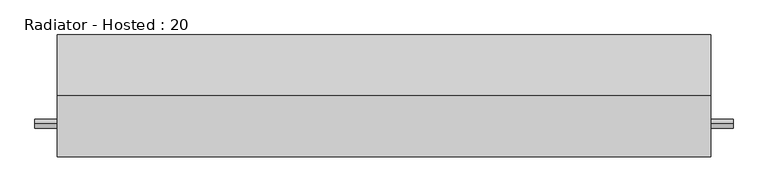
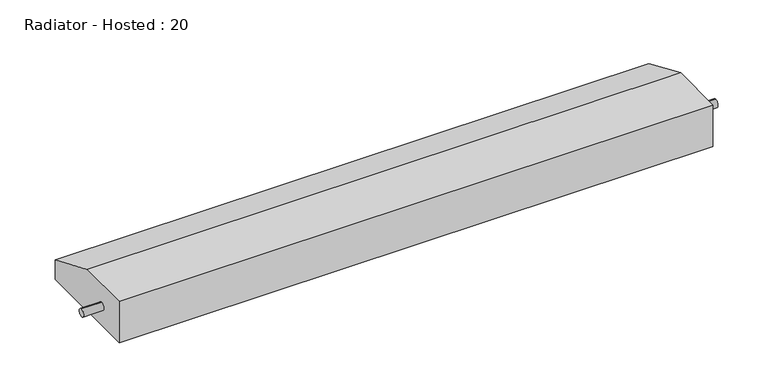
"""IFC4 building model written with IfcOpenShell, lengths in millimetres: proxy geometry, Radiator - Hosted : 20."""

from ifc_helpers import new_model, si_unit, frame, origin, place, context, project, spatial, circle_curve, source, transform, mapped, element, save
from ifc_brep_helpers import plane_surface, cylinder_surface, advanced_brep


def radiator_hosted_20_a8a8d4ab(model_context):
    return source(origin(), model_context, "Body", "AdvancedBrep", [
        advanced_brep(
        [(750.0, 280.0, 0.0), (750.0, 280.0, 52.3875), (750.0, 141.8875, 111.125), (750.0, 0.0, 111.125), (750.0, 0.0, 0.0), (750.0, 76.2, 42.3875), (750.0, 76.2, 62.3875), (-750.0, 280.0, 0.0), (-750.0, 0.0, 0.0), (-750.0, 0.0, 111.125), (-750.0, 141.8875, 111.125), (-750.0, 280.0, 52.3875), (-750.0, 76.2, 62.3875), (-750.0, 76.2, 42.3875), (-800.8, 76.2, 42.3875), (-800.8, 76.2, 62.3875), (800.8, 76.2, 42.3875), (800.8, 76.2, 62.3875)],
        [
            (0, 1),
            (1, 2),
            (2, 3),
            (3, 4),
            (4, 0),
            (5, 6, circle_curve(frame((750.0, 76.2, 52.3875), z_axis=(-1.0, 0.0, 0.0), x_axis=(0.0, 0.0, 1.0)), 10.0)),
            (6, 5, circle_curve(frame((750.0, 76.2, 52.3875), z_axis=(-1.0, 0.0, 0.0), x_axis=(0.0, 0.0, 1.0)), 10.0)),
            (7, 8),
            (8, 9),
            (9, 10),
            (10, 11),
            (11, 7),
            (12, 13, circle_curve(frame((-750.0, 76.2, 52.3875), z_axis=(1.0, 0.0, 0.0), x_axis=(0.0, 0.0, 1.0)), 10.0)),
            (13, 12, circle_curve(frame((-750.0, 76.2, 52.3875), z_axis=(1.0, 0.0, 0.0), x_axis=(0.0, 0.0, 1.0)), 10.0)),
            (0, 7),
            (11, 1),
            (10, 2),
            (9, 3),
            (8, 4),
            (14, 15, circle_curve(frame((-800.8, 76.2, 52.3875), z_axis=(-1.0, 0.0, 0.0), x_axis=(0.0, 0.0, 1.0)), 10.0)),
            (15, 14, circle_curve(frame((-800.8, 76.2, 52.3875), z_axis=(-1.0, 0.0, 0.0), x_axis=(0.0, 0.0, 1.0)), 10.0)),
            (16, 17, circle_curve(frame((800.8, 76.2, 52.3875), z_axis=(1.0, 0.0, 0.0), x_axis=(0.0, 0.0, 1.0)), 10.0)),
            (17, 16, circle_curve(frame((800.8, 76.2, 52.3875), z_axis=(1.0, 0.0, 0.0), x_axis=(0.0, 0.0, 1.0)), 10.0)),
            (14, 13),
            (12, 15),
            (17, 6),
            (5, 16),
        ],
        [
            plane_surface(frame((750.0, 280.0, 0.0), z_axis=(1.0, 0.0, 0.0), x_axis=(0.0, 0.0, 1.0))),
            plane_surface(frame((-750.0, 280.0, 0.0), z_axis=(-1.0, 0.0, 0.0), x_axis=(0.0, 0.0, -1.0))),
            plane_surface(frame((750.0, 280.0, 0.0), z_axis=(0.0, 1.0, 0.0), x_axis=(-1.0, 0.0, 0.0))),
            plane_surface(frame((750.0, 280.0, 52.3875), z_axis=(0.0, 0.3913646080488335, 0.9202357000066793), x_axis=(-1.0, 0.0, 0.0))),
            plane_surface(frame((750.0, 141.8875, 111.125), z_axis=(0.0, 0.0, 1.0), x_axis=(-1.0, 0.0, 0.0))),
            plane_surface(frame((750.0, 0.0, 111.125), z_axis=(0.0, -1.0, 0.0), x_axis=(-1.0, 0.0, 0.0))),
            plane_surface(frame((750.0, 0.0, 0.0), z_axis=(0.0, 0.0, -1.0), x_axis=(-1.0, 0.0, 0.0))),
            plane_surface(frame((-800.8, 76.2, 62.3875), z_axis=(-1.0, 0.0, 0.0), x_axis=(0.0, 1.0, 0.0))),
            plane_surface(frame((800.8, 76.2, 62.3875), z_axis=(1.0, 0.0, 0.0), x_axis=(0.0, -1.0, 0.0))),
            cylinder_surface(frame((800.8, 76.2, 52.3875), z_axis=(-1.0, 0.0, 0.0), x_axis=(0.0, 0.0, 1.0)), 10.0),
        ],
        [
            (0, [[1, 2, 3, 4, 5], [6, 7]]),
            (1, [[8, 9, 10, 11, 12], [13, 14]]),
            (2, [[-1, 15, -12, 16]]),
            (3, [[-2, -16, -11, 17]]),
            (4, [[-3, -17, -10, 18]]),
            (5, [[-4, -18, -9, 19]]),
            (6, [[-5, -19, -8, -15]]),
            (7, [[20, 21]]),
            (8, [[22, 23]]),
            (9, [[-20, 24, -13, 25]]),
            (9, [[-23, 26, -6, 27]]),
            (9, [[-21, -25, -14, -24]]),
            (9, [[-22, -27, -7, -26]]),
        ],
    ),
    ])


if __name__ == "__main__":
    model = new_model("IFC4")
    model_context = context("Model", 3, world=origin())
    ifc_project = project(units=[si_unit("LENGTHUNIT", "METRE", prefix="MILLI")], contexts=[model_context])
    site = spatial("IfcSite", under=ifc_project)
    building = spatial("IfcBuilding", under=site)
    placement = place(None, origin())
    radiator_hosted_20_shape = radiator_hosted_20_a8a8d4ab(model_context)
    element("IfcBuildingElementProxy", 1, Name="Radiator - Hosted : 20", ObjectType="Radiator - Hosted : 20", at=placement, inside=building, context=model_context, shape_type="MappedRepresentation", body=[
        mapped(radiator_hosted_20_shape, transform((0.0, 0.0, 0.0), x_axis=(1.0, 0.0, 0.0), y_axis=(0.0, 1.0, 0.0), z_axis=(0.0, 0.0, 1.0))),
    ])
    save(model, "model.ifc")
